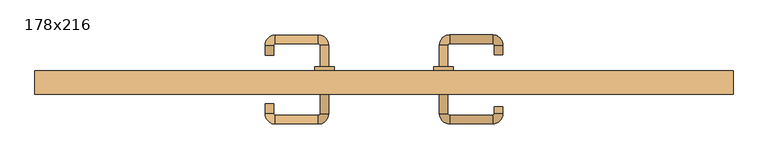
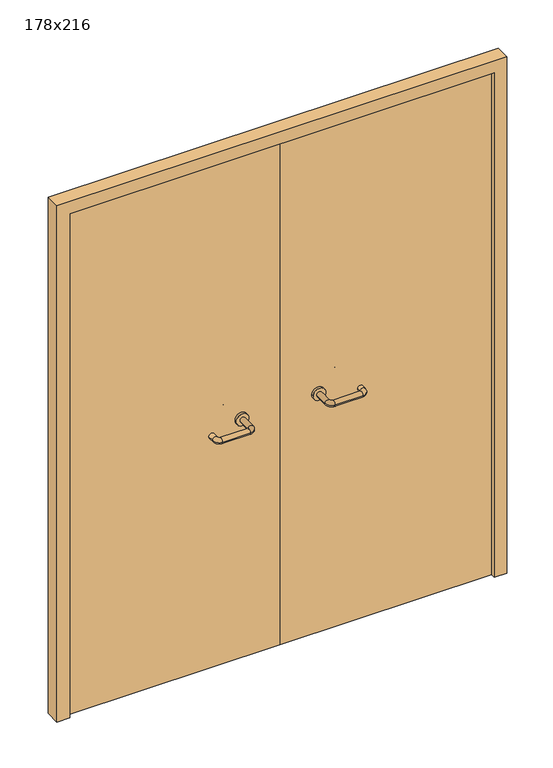
"""IFC4 building model written with IfcOpenShell, lengths in millimetres: door geometry, 178x216."""

from ifc_helpers import new_model, si_unit, point, frame, frame_2d, origin, place, context, project, spatial, polyline, circle_curve, ellipse_curve, trimmed, segment, composite_curve, outline, extrude, source, transform, mapped, element, save
from ifc_brep_helpers import plane_surface, cylinder_surface, revolved_surface, advanced_brep


def door_178x216_89c646e5(model_context):
    return source(origin(), model_context, "Body", "SolidModel", [
        extrude(outline(polyline([(2160.0, -890.0), (0.0, -890.0), (0.0, -840.0), (2110.0, -840.0), (2110.0, 840.0), (0.0, 840.0), (0.0, 890.0), (2160.0, 890.0), (2160.0, -890.0)])), frame((0.0, 0.0, 0.0), z_axis=(0.0, 1.0, 0.0), x_axis=(0.0, 0.0, 1.0)), (0.0, 0.0, 1.0), 60.0),
        advanced_brep(
        [(140.99898, 6.0, 1003.0), (162.99898, 6.0, 1003.0), (140.99898, -49.3525369, 1003.0), (162.99898, -49.3525369, 1003.0), (166.99898, -53.3525369, 1003.0), (166.99898, -75.3525369, 1003.0), (276.99898, -75.3525369, 1003.0), (276.99898, -53.3525369, 1003.0), (280.99898, -49.3525369, 1003.0), (302.99898, -49.3525369, 1003.0), (302.99898, -32.0, 1003.0), (280.99898, -32.0, 1003.0)],
        [
            (0, 1, circle_curve(frame((151.99898, 6.0, 1003.0), z_axis=(0.0, 1.0, 0.0), x_axis=(1.0, 0.0, 0.0)), 11.0)),
            (1, 0, circle_curve(frame((151.99898, 6.0, 1003.0), z_axis=(0.0, 1.0, 0.0), x_axis=(1.0, 0.0, 0.0)), 11.0)),
            (0, 2),
            (2, 3, circle_curve(frame((151.99898, -49.3525369, 1003.0), z_axis=(0.0, 1.0, 0.0), x_axis=(1.0, 0.0, 0.0)), 11.0)),
            (3, 1),
            (3, 2, circle_curve(frame((151.99898, -49.3525369, 1003.0), z_axis=(0.0, 1.0, 0.0), x_axis=(1.0, 0.0, 0.0)), 11.0)),
            (4, 3, circle_curve(frame((166.99898, -49.3525369, 1003.0), z_axis=(0.0, 0.0, -1.0), x_axis=(-1.0, 0.0, 0.0)), 4.0)),
            (2, 5, circle_curve(frame((166.99898, -49.3525369, 1003.0), z_axis=(0.0, 0.0, 1.0), x_axis=(-1.0, 0.0, 0.0)), 26.0)),
            (5, 4, circle_curve(frame((166.99898, -64.3525369, 1003.0), z_axis=(-1.0, 0.0, 0.0), x_axis=(0.0, 1.0, 0.0)), 11.0)),
            (4, 5, circle_curve(frame((166.99898, -64.3525369, 1003.0), z_axis=(-1.0, 0.0, 0.0), x_axis=(0.0, 1.0, 0.0)), 11.0)),
            (5, 6),
            (6, 7, circle_curve(frame((276.99898, -64.3525369, 1003.0), z_axis=(-1.0, 0.0, 0.0), x_axis=(0.0, 1.0, 0.0)), 11.0)),
            (7, 4),
            (7, 6, circle_curve(frame((276.99898, -64.3525369, 1003.0), z_axis=(-1.0, 0.0, 0.0), x_axis=(0.0, 1.0, 0.0)), 11.0)),
            (8, 7, circle_curve(frame((276.99898, -49.3525369, 1003.0), z_axis=(0.0, 0.0, -1.0), x_axis=(0.0, -1.0, 0.0)), 4.0)),
            (6, 9, circle_curve(frame((276.99898, -49.3525369, 1003.0), z_axis=(0.0, 0.0, 1.0), x_axis=(0.0, -1.0, 0.0)), 26.0)),
            (9, 8, circle_curve(frame((291.99898, -49.3525369, 1003.0), z_axis=(0.0, -1.0, 0.0), x_axis=(-1.0, 0.0, 0.0)), 11.0)),
            (8, 9, circle_curve(frame((291.99898, -49.3525369, 1003.0), z_axis=(0.0, -1.0, 0.0), x_axis=(-1.0, 0.0, 0.0)), 11.0)),
            (10, 11, circle_curve(frame((291.99898, -32.0, 1003.0), z_axis=(0.0, 1.0, 0.0), x_axis=(-1.0, 0.0, 0.0)), 11.0)),
            (11, 10, circle_curve(frame((291.99898, -32.0, 1003.0), z_axis=(0.0, 1.0, 0.0), x_axis=(-1.0, 0.0, 0.0)), 11.0)),
            (9, 10),
            (11, 8),
        ],
        [
            plane_surface(frame((140.99898, 6.0, 1003.0), z_axis=(0.0, 1.0, 0.0), x_axis=(0.0, 0.0, -1.0))),
            cylinder_surface(frame((151.99898, 6.0, 1003.0), z_axis=(0.0, 1.0, 0.0), x_axis=(1.0, 0.0, 0.0)), 11.0),
            revolved_surface(trimmed(ellipse_curve(frame((151.99898, -49.3525369, 1003.0), z_axis=(0.0, 1.0, 0.0), x_axis=(1.0, 0.0, 0.0)), 11.0, 11.0), [point((140.99898, -49.3525369, 1003.0))], [point((162.99898, -49.3525369, 1003.0))], True, "CARTESIAN"), (166.99898, -49.3525369, 1003.0), (0.0, 0.0, 1.0)),
            revolved_surface(trimmed(ellipse_curve(frame((151.99898, -49.3525369, 1003.0), z_axis=(0.0, 1.0, 0.0), x_axis=(1.0, 0.0, 0.0)), 11.0, 11.0), [point((162.99898, -49.3525369, 1003.0))], [point((140.99898, -49.3525369, 1003.0))], True, "CARTESIAN"), (166.99898, -49.3525369, 1003.0), (0.0, 0.0, 1.0)),
            cylinder_surface(frame((166.99898, -64.3525369, 1003.0), z_axis=(-1.0, 0.0, 0.0), x_axis=(0.0, 1.0, 0.0)), 11.0),
            revolved_surface(trimmed(ellipse_curve(frame((276.99898, -64.3525369, 1003.0), z_axis=(-1.0, 0.0, 0.0), x_axis=(0.0, 1.0, 0.0)), 11.0, 11.0), [point((276.99898, -75.3525369, 1003.0))], [point((276.99898, -53.3525369, 1003.0))], True, "CARTESIAN"), (276.99898, -49.3525369, 1003.0), (0.0, 0.0, 1.0)),
            revolved_surface(trimmed(ellipse_curve(frame((276.99898, -64.3525369, 1003.0), z_axis=(-1.0, 0.0, 0.0), x_axis=(0.0, 1.0, 0.0)), 11.0, 11.0), [point((276.99898, -53.3525369, 1003.0))], [point((276.99898, -75.3525369, 1003.0))], True, "CARTESIAN"), (276.99898, -49.3525369, 1003.0), (0.0, 0.0, 1.0)),
            plane_surface(frame((280.99898, -32.0, 1003.0), z_axis=(0.0, 1.0, 0.0), x_axis=(0.0, 0.0, 1.0))),
            cylinder_surface(frame((291.99898, -49.3525369, 1003.0), z_axis=(0.0, -1.0, 0.0), x_axis=(-1.0, 0.0, 0.0)), 11.0),
        ],
        [
            (0, [[1, 2]]),
            (1, [[-1, 3, 4, 5]]),
            (1, [[-2, -5, 6, -3]]),
            (2, [[7, -4, 8, 9]]),
            (3, [[-8, -6, -7, 10]]),
            (4, [[-9, 11, 12, 13]]),
            (4, [[-10, -13, 14, -11]]),
            (5, [[15, -12, 16, 17]]),
            (6, [[-16, -14, -15, 18]]),
            (7, [[19, 20]]),
            (8, [[-17, 21, -20, 22]]),
            (8, [[-18, -22, -19, -21]]),
        ],
    ),
        extrude(outline(composite_curve([segment(trimmed(circle_curve(frame_2d((1003.0, 151.99898)), 25.0), [point((1003.0, 126.99898))], [point((1003.0, 176.99898))], False, "CARTESIAN"), True, "CONTINUOUS"), segment(trimmed(circle_curve(frame_2d((1003.0, 151.99898)), 25.0), [point((1003.0, 176.99898))], [point((1003.0, 126.99898))], False, "CARTESIAN"), True, "CONTINUOUS")], self_intersect=False)), frame((0.0, 6.0, 0.0), z_axis=(0.0, 1.0, 0.0), x_axis=(0.0, 0.0, 1.0)), (0.0, 0.0, 1.0), 10.0),
        advanced_brep(
        [(162.99898, 70.0, 1003.0), (140.99898, 70.0, 1003.0), (162.99898, 125.0, 1003.0), (140.99898, 125.0, 1003.0), (166.99898, 151.0, 1003.0), (166.99898, 129.0, 1003.0), (276.99898, 129.0, 1003.0), (276.99898, 151.0, 1003.0), (302.99898, 125.0, 1003.0), (280.99898, 125.0, 1003.0), (280.99898, 100.0, 1003.0), (302.99898, 100.0, 1003.0)],
        [
            (0, 1, circle_curve(frame((151.99898, 70.0, 1003.0), z_axis=(0.0, -1.0, 0.0), x_axis=(-1.0, 0.0, 0.0)), 11.0)),
            (1, 0, circle_curve(frame((151.99898, 70.0, 1003.0), z_axis=(0.0, -1.0, 0.0), x_axis=(-1.0, 0.0, 0.0)), 11.0)),
            (0, 2),
            (2, 3, circle_curve(frame((151.99898, 125.0, 1003.0), z_axis=(0.0, -1.0, 0.0), x_axis=(-1.0, 0.0, 0.0)), 11.0)),
            (3, 1),
            (3, 2, circle_curve(frame((151.99898, 125.0, 1003.0), z_axis=(0.0, -1.0, 0.0), x_axis=(-1.0, 0.0, 0.0)), 11.0)),
            (4, 3, circle_curve(frame((166.99898, 125.0, 1003.0), z_axis=(0.0, 0.0, 1.0), x_axis=(-1.0, 0.0, 0.0)), 26.0)),
            (2, 5, circle_curve(frame((166.99898, 125.0, 1003.0), z_axis=(0.0, 0.0, -1.0), x_axis=(-1.0, 0.0, 0.0)), 4.0)),
            (5, 4, circle_curve(frame((166.99898, 140.0, 1003.0), z_axis=(-1.0, 0.0, 0.0), x_axis=(0.0, 1.0, 0.0)), 11.0)),
            (4, 5, circle_curve(frame((166.99898, 140.0, 1003.0), z_axis=(-1.0, 0.0, 0.0), x_axis=(0.0, 1.0, 0.0)), 11.0)),
            (5, 6),
            (6, 7, circle_curve(frame((276.99898, 140.0, 1003.0), z_axis=(-1.0, 0.0, 0.0), x_axis=(0.0, 1.0, 0.0)), 11.0)),
            (7, 4),
            (7, 6, circle_curve(frame((276.99898, 140.0, 1003.0), z_axis=(-1.0, 0.0, 0.0), x_axis=(0.0, 1.0, 0.0)), 11.0)),
            (8, 7, circle_curve(frame((276.99898, 125.0, 1003.0), z_axis=(0.0, 0.0, 1.0), x_axis=(0.0, 1.0, 0.0)), 26.0)),
            (6, 9, circle_curve(frame((276.99898, 125.0, 1003.0), z_axis=(0.0, 0.0, -1.0), x_axis=(0.0, 1.0, 0.0)), 4.0)),
            (9, 8, circle_curve(frame((291.99898, 125.0, 1003.0), z_axis=(0.0, 1.0, 0.0), x_axis=(1.0, 0.0, 0.0)), 11.0)),
            (8, 9, circle_curve(frame((291.99898, 125.0, 1003.0), z_axis=(0.0, 1.0, 0.0), x_axis=(1.0, 0.0, 0.0)), 11.0)),
            (10, 11, circle_curve(frame((291.99898, 100.0, 1003.0), z_axis=(0.0, -1.0, 0.0), x_axis=(1.0, 0.0, 0.0)), 11.0)),
            (11, 10, circle_curve(frame((291.99898, 100.0, 1003.0), z_axis=(0.0, -1.0, 0.0), x_axis=(1.0, 0.0, 0.0)), 11.0)),
            (9, 10),
            (11, 8),
        ],
        [
            plane_surface(frame((140.99898, 70.0, 1003.0), z_axis=(0.0, -1.0, 0.0), x_axis=(0.0, 0.0, 1.0))),
            cylinder_surface(frame((151.99898, 70.0, 1003.0), z_axis=(0.0, -1.0, 0.0), x_axis=(-1.0, 0.0, 0.0)), 11.0),
            revolved_surface(trimmed(ellipse_curve(frame((151.99898, 125.0, 1003.0), z_axis=(0.0, -1.0, 0.0), x_axis=(-1.0, 0.0, 0.0)), 11.0, 11.0), [point((162.99898, 125.0, 1003.0))], [point((140.99898, 125.0, 1003.0))], True, "CARTESIAN"), (166.99898, 125.0, 1003.0), (0.0, 0.0, -1.0)),
            revolved_surface(trimmed(ellipse_curve(frame((151.99898, 125.0, 1003.0), z_axis=(0.0, -1.0, 0.0), x_axis=(-1.0, 0.0, 0.0)), 11.0, 11.0), [point((140.99898, 125.0, 1003.0))], [point((162.99898, 125.0, 1003.0))], True, "CARTESIAN"), (166.99898, 125.0, 1003.0), (0.0, 0.0, -1.0)),
            cylinder_surface(frame((166.99898, 140.0, 1003.0), z_axis=(-1.0, 0.0, 0.0), x_axis=(0.0, 1.0, 0.0)), 11.0),
            revolved_surface(trimmed(ellipse_curve(frame((276.99898, 140.0, 1003.0), z_axis=(-1.0, 0.0, 0.0), x_axis=(0.0, 1.0, 0.0)), 11.0, 11.0), [point((276.99898, 129.0, 1003.0))], [point((276.99898, 151.0, 1003.0))], True, "CARTESIAN"), (276.99898, 125.0, 1003.0), (0.0, 0.0, -1.0)),
            revolved_surface(trimmed(ellipse_curve(frame((276.99898, 140.0, 1003.0), z_axis=(-1.0, 0.0, 0.0), x_axis=(0.0, 1.0, 0.0)), 11.0, 11.0), [point((276.99898, 151.0, 1003.0))], [point((276.99898, 129.0, 1003.0))], True, "CARTESIAN"), (276.99898, 125.0, 1003.0), (0.0, 0.0, -1.0)),
            plane_surface(frame((280.99898, 100.0, 1003.0), z_axis=(0.0, -1.0, 0.0), x_axis=(0.0, 0.0, -1.0))),
            cylinder_surface(frame((291.99898, 125.0, 1003.0), z_axis=(0.0, 1.0, 0.0), x_axis=(1.0, 0.0, 0.0)), 11.0),
        ],
        [
            (0, [[1, 2]]),
            (1, [[-1, 3, 4, 5]]),
            (1, [[-2, -5, 6, -3]]),
            (2, [[7, -4, 8, 9]]),
            (3, [[-8, -6, -7, 10]]),
            (4, [[-9, 11, 12, 13]]),
            (4, [[-10, -13, 14, -11]]),
            (5, [[15, -12, 16, 17]]),
            (6, [[-16, -14, -15, 18]]),
            (7, [[19, 20]]),
            (8, [[-17, 21, -20, 22]]),
            (8, [[-18, -22, -19, -21]]),
        ],
    ),
        extrude(outline(composite_curve([segment(trimmed(circle_curve(frame_2d((1003.0, 151.99898)), 25.0), [point((1003.0, 176.99898))], [point((1003.0, 126.99898))], False, "CARTESIAN"), True, "CONTINUOUS"), segment(trimmed(circle_curve(frame_2d((1003.0, 151.99898)), 25.0), [point((1003.0, 126.99898))], [point((1003.0, 176.99898))], False, "CARTESIAN"), True, "CONTINUOUS")], self_intersect=False)), frame((0.0, 60.0, 0.0), z_axis=(0.0, 1.0, 0.0), x_axis=(0.0, 0.0, 1.0)), (0.0, 0.0, 1.0), 10.0),
        advanced_brep(
        [(-162.99898, 5.6886121, 1003.0), (-140.99898, 5.6886121, 1003.0), (-162.99898, -49.7220447, 1003.0), (-140.99898, -49.7220447, 1003.0), (-166.99898, -75.7220447, 1003.0), (-166.99898, -53.7220447, 1003.0), (-276.99898, -53.7220447, 1003.0), (-276.99898, -75.7220447, 1003.0), (-302.99898, -49.7220447, 1003.0), (-280.99898, -49.7220447, 1003.0), (-280.99898, -24.7220447, 1003.0), (-302.99898, -24.7220447, 1003.0)],
        [
            (0, 1, circle_curve(frame((-151.99898, 5.6886121, 1003.0), z_axis=(0.0, 1.0, 0.0), x_axis=(1.0, 0.0, 0.0)), 11.0)),
            (1, 0, circle_curve(frame((-151.99898, 5.6886121, 1003.0), z_axis=(0.0, 1.0, 0.0), x_axis=(1.0, 0.0, 0.0)), 11.0)),
            (0, 2),
            (2, 3, circle_curve(frame((-151.99898, -49.7220447, 1003.0), z_axis=(0.0, 1.0, 0.0), x_axis=(1.0, 0.0, 0.0)), 11.0)),
            (3, 1),
            (3, 2, circle_curve(frame((-151.99898, -49.7220447, 1003.0), z_axis=(0.0, 1.0, 0.0), x_axis=(1.0, 0.0, 0.0)), 11.0)),
            (4, 3, circle_curve(frame((-166.99898, -49.7220447, 1003.0), z_axis=(0.0, 0.0, 1.0), x_axis=(1.0, 0.0, 0.0)), 26.0)),
            (2, 5, circle_curve(frame((-166.99898, -49.7220447, 1003.0), z_axis=(0.0, 0.0, -1.0), x_axis=(1.0, 0.0, 0.0)), 4.0)),
            (5, 4, circle_curve(frame((-166.99898, -64.7220447, 1003.0), z_axis=(1.0, 0.0, 0.0), x_axis=(0.0, -1.0, 0.0)), 11.0)),
            (4, 5, circle_curve(frame((-166.99898, -64.7220447, 1003.0), z_axis=(1.0, 0.0, 0.0), x_axis=(0.0, -1.0, 0.0)), 11.0)),
            (5, 6),
            (6, 7, circle_curve(frame((-276.99898, -64.7220447, 1003.0), z_axis=(1.0, 0.0, 0.0), x_axis=(0.0, -1.0, 0.0)), 11.0)),
            (7, 4),
            (7, 6, circle_curve(frame((-276.99898, -64.7220447, 1003.0), z_axis=(1.0, 0.0, 0.0), x_axis=(0.0, -1.0, 0.0)), 11.0)),
            (8, 7, circle_curve(frame((-276.99898, -49.7220447, 1003.0), z_axis=(0.0, 0.0, 1.0), x_axis=(0.0, -1.0, 0.0)), 26.0)),
            (6, 9, circle_curve(frame((-276.99898, -49.7220447, 1003.0), z_axis=(0.0, 0.0, -1.0), x_axis=(0.0, -1.0, 0.0)), 4.0)),
            (9, 8, circle_curve(frame((-291.99898, -49.7220447, 1003.0), z_axis=(0.0, -1.0, 0.0), x_axis=(-1.0, 0.0, 0.0)), 11.0)),
            (8, 9, circle_curve(frame((-291.99898, -49.7220447, 1003.0), z_axis=(0.0, -1.0, 0.0), x_axis=(-1.0, 0.0, 0.0)), 11.0)),
            (10, 11, circle_curve(frame((-291.99898, -24.7220447, 1003.0), z_axis=(0.0, 1.0, 0.0), x_axis=(-1.0, 0.0, 0.0)), 11.0)),
            (11, 10, circle_curve(frame((-291.99898, -24.7220447, 1003.0), z_axis=(0.0, 1.0, 0.0), x_axis=(-1.0, 0.0, 0.0)), 11.0)),
            (9, 10),
            (11, 8),
        ],
        [
            plane_surface(frame((-162.99898, 5.6886121, 1003.0), z_axis=(0.0, 1.0, 0.0), x_axis=(0.0, 0.0, -1.0))),
            cylinder_surface(frame((-151.99898, 5.6886121, 1003.0), z_axis=(0.0, 1.0, 0.0), x_axis=(1.0, 0.0, 0.0)), 11.0),
            revolved_surface(trimmed(ellipse_curve(frame((-151.99898, -49.7220447, 1003.0), z_axis=(0.0, 1.0, 0.0), x_axis=(1.0, 0.0, 0.0)), 11.0, 11.0), [point((-162.99898, -49.7220447, 1003.0))], [point((-140.99898, -49.7220447, 1003.0))], True, "CARTESIAN"), (-166.99898, -49.7220447, 1003.0), (0.0, 0.0, -1.0)),
            revolved_surface(trimmed(ellipse_curve(frame((-151.99898, -49.7220447, 1003.0), z_axis=(0.0, 1.0, 0.0), x_axis=(1.0, 0.0, 0.0)), 11.0, 11.0), [point((-140.99898, -49.7220447, 1003.0))], [point((-162.99898, -49.7220447, 1003.0))], True, "CARTESIAN"), (-166.99898, -49.7220447, 1003.0), (0.0, 0.0, -1.0)),
            cylinder_surface(frame((-166.99898, -64.7220447, 1003.0), z_axis=(1.0, 0.0, 0.0), x_axis=(0.0, -1.0, 0.0)), 11.0),
            revolved_surface(trimmed(ellipse_curve(frame((-276.99898, -64.7220447, 1003.0), z_axis=(1.0, 0.0, 0.0), x_axis=(0.0, -1.0, 0.0)), 11.0, 11.0), [point((-276.99898, -53.7220447, 1003.0))], [point((-276.99898, -75.7220447, 1003.0))], True, "CARTESIAN"), (-276.99898, -49.7220447, 1003.0), (0.0, 0.0, -1.0)),
            revolved_surface(trimmed(ellipse_curve(frame((-276.99898, -64.7220447, 1003.0), z_axis=(1.0, 0.0, 0.0), x_axis=(0.0, -1.0, 0.0)), 11.0, 11.0), [point((-276.99898, -75.7220447, 1003.0))], [point((-276.99898, -53.7220447, 1003.0))], True, "CARTESIAN"), (-276.99898, -49.7220447, 1003.0), (0.0, 0.0, -1.0)),
            plane_surface(frame((-302.99898, -24.7220447, 1003.0), z_axis=(0.0, 1.0, 0.0), x_axis=(0.0, 0.0, 1.0))),
            cylinder_surface(frame((-291.99898, -49.7220447, 1003.0), z_axis=(0.0, -1.0, 0.0), x_axis=(-1.0, 0.0, 0.0)), 11.0),
        ],
        [
            (0, [[1, 2]]),
            (1, [[-1, 3, 4, 5]]),
            (1, [[-2, -5, 6, -3]]),
            (2, [[7, -4, 8, 9]]),
            (3, [[-8, -6, -7, 10]]),
            (4, [[-9, 11, 12, 13]]),
            (4, [[-10, -13, 14, -11]]),
            (5, [[15, -12, 16, 17]]),
            (6, [[-16, -14, -15, 18]]),
            (7, [[19, 20]]),
            (8, [[-17, 21, -20, 22]]),
            (8, [[-18, -22, -19, -21]]),
        ],
    ),
        extrude(outline(composite_curve([segment(trimmed(circle_curve(frame_2d((1003.0, -151.99898)), 25.0), [point((1003.0, -176.99898))], [point((1003.0, -126.99898))], False, "CARTESIAN"), True, "CONTINUOUS"), segment(trimmed(circle_curve(frame_2d((1003.0, -151.99898)), 25.0), [point((1003.0, -126.99898))], [point((1003.0, -176.99898))], False, "CARTESIAN"), True, "CONTINUOUS")], self_intersect=False)), frame((0.0, 5.6886121, 0.0), z_axis=(0.0, 1.0, 0.0), x_axis=(0.0, 0.0, 1.0)), (0.0, 0.0, 1.0), 10.3113879),
        advanced_brep(
        [(-140.99898, 69.5143417, 1003.0), (-162.99898, 69.5143417, 1003.0), (-140.99898, 124.6104656, 1003.0), (-162.99898, 124.6104656, 1003.0), (-166.99898, 128.6104656, 1003.0), (-166.99898, 150.6104656, 1003.0), (-276.99898, 150.6104656, 1003.0), (-276.99898, 128.6104656, 1003.0), (-280.99898, 124.6104656, 1003.0), (-302.99898, 124.6104656, 1003.0), (-302.99898, 99.6104656, 1003.0), (-280.99898, 99.6104656, 1003.0)],
        [
            (0, 1, circle_curve(frame((-151.99898, 69.5143417, 1003.0), z_axis=(0.0, -1.0, 0.0), x_axis=(-1.0, 0.0, 0.0)), 11.0)),
            (1, 0, circle_curve(frame((-151.99898, 69.5143417, 1003.0), z_axis=(0.0, -1.0, 0.0), x_axis=(-1.0, 0.0, 0.0)), 11.0)),
            (0, 2),
            (2, 3, circle_curve(frame((-151.99898, 124.6104656, 1003.0), z_axis=(0.0, -1.0, 0.0), x_axis=(-1.0, 0.0, 0.0)), 11.0)),
            (3, 1),
            (3, 2, circle_curve(frame((-151.99898, 124.6104656, 1003.0), z_axis=(0.0, -1.0, 0.0), x_axis=(-1.0, 0.0, 0.0)), 11.0)),
            (4, 3, circle_curve(frame((-166.99898, 124.6104656, 1003.0), z_axis=(0.0, 0.0, -1.0), x_axis=(1.0, 0.0, 0.0)), 4.0)),
            (2, 5, circle_curve(frame((-166.99898, 124.6104656, 1003.0), z_axis=(0.0, 0.0, 1.0), x_axis=(1.0, 0.0, 0.0)), 26.0)),
            (5, 4, circle_curve(frame((-166.99898, 139.6104656, 1003.0), z_axis=(1.0, 0.0, 0.0), x_axis=(0.0, -1.0, 0.0)), 11.0)),
            (4, 5, circle_curve(frame((-166.99898, 139.6104656, 1003.0), z_axis=(1.0, 0.0, 0.0), x_axis=(0.0, -1.0, 0.0)), 11.0)),
            (5, 6),
            (6, 7, circle_curve(frame((-276.99898, 139.6104656, 1003.0), z_axis=(1.0, 0.0, 0.0), x_axis=(0.0, -1.0, 0.0)), 11.0)),
            (7, 4),
            (7, 6, circle_curve(frame((-276.99898, 139.6104656, 1003.0), z_axis=(1.0, 0.0, 0.0), x_axis=(0.0, -1.0, 0.0)), 11.0)),
            (8, 7, circle_curve(frame((-276.99898, 124.6104656, 1003.0), z_axis=(0.0, 0.0, -1.0), x_axis=(0.0, 1.0, 0.0)), 4.0)),
            (6, 9, circle_curve(frame((-276.99898, 124.6104656, 1003.0), z_axis=(0.0, 0.0, 1.0), x_axis=(0.0, 1.0, 0.0)), 26.0)),
            (9, 8, circle_curve(frame((-291.99898, 124.6104656, 1003.0), z_axis=(0.0, 1.0, 0.0), x_axis=(1.0, 0.0, 0.0)), 11.0)),
            (8, 9, circle_curve(frame((-291.99898, 124.6104656, 1003.0), z_axis=(0.0, 1.0, 0.0), x_axis=(1.0, 0.0, 0.0)), 11.0)),
            (10, 11, circle_curve(frame((-291.99898, 99.6104656, 1003.0), z_axis=(0.0, -1.0, 0.0), x_axis=(1.0, 0.0, 0.0)), 11.0)),
            (11, 10, circle_curve(frame((-291.99898, 99.6104656, 1003.0), z_axis=(0.0, -1.0, 0.0), x_axis=(1.0, 0.0, 0.0)), 11.0)),
            (9, 10),
            (11, 8),
        ],
        [
            plane_surface(frame((-162.99898, 69.5143417, 1003.0), z_axis=(0.0, -1.0, 0.0), x_axis=(0.0, 0.0, 1.0))),
            cylinder_surface(frame((-151.99898, 69.5143417, 1003.0), z_axis=(0.0, -1.0, 0.0), x_axis=(-1.0, 0.0, 0.0)), 11.0),
            revolved_surface(trimmed(ellipse_curve(frame((-151.99898, 124.6104656, 1003.0), z_axis=(0.0, -1.0, 0.0), x_axis=(-1.0, 0.0, 0.0)), 11.0, 11.0), [point((-140.99898, 124.6104656, 1003.0))], [point((-162.99898, 124.6104656, 1003.0))], True, "CARTESIAN"), (-166.99898, 124.6104656, 1003.0), (0.0, 0.0, 1.0)),
            revolved_surface(trimmed(ellipse_curve(frame((-151.99898, 124.6104656, 1003.0), z_axis=(0.0, -1.0, 0.0), x_axis=(-1.0, 0.0, 0.0)), 11.0, 11.0), [point((-162.99898, 124.6104656, 1003.0))], [point((-140.99898, 124.6104656, 1003.0))], True, "CARTESIAN"), (-166.99898, 124.6104656, 1003.0), (0.0, 0.0, 1.0)),
            cylinder_surface(frame((-166.99898, 139.6104656, 1003.0), z_axis=(1.0, 0.0, 0.0), x_axis=(0.0, -1.0, 0.0)), 11.0),
            revolved_surface(trimmed(ellipse_curve(frame((-276.99898, 139.6104656, 1003.0), z_axis=(1.0, 0.0, 0.0), x_axis=(0.0, -1.0, 0.0)), 11.0, 11.0), [point((-276.99898, 150.6104656, 1003.0))], [point((-276.99898, 128.6104656, 1003.0))], True, "CARTESIAN"), (-276.99898, 124.6104656, 1003.0), (0.0, 0.0, 1.0)),
            revolved_surface(trimmed(ellipse_curve(frame((-276.99898, 139.6104656, 1003.0), z_axis=(1.0, 0.0, 0.0), x_axis=(0.0, -1.0, 0.0)), 11.0, 11.0), [point((-276.99898, 128.6104656, 1003.0))], [point((-276.99898, 150.6104656, 1003.0))], True, "CARTESIAN"), (-276.99898, 124.6104656, 1003.0), (0.0, 0.0, 1.0)),
            plane_surface(frame((-302.99898, 99.6104656, 1003.0), z_axis=(0.0, -1.0, 0.0), x_axis=(0.0, 0.0, -1.0))),
            cylinder_surface(frame((-291.99898, 124.6104656, 1003.0), z_axis=(0.0, 1.0, 0.0), x_axis=(1.0, 0.0, 0.0)), 11.0),
        ],
        [
            (0, [[1, 2]]),
            (1, [[-1, 3, 4, 5]]),
            (1, [[-2, -5, 6, -3]]),
            (2, [[7, -4, 8, 9]]),
            (3, [[-8, -6, -7, 10]]),
            (4, [[-9, 11, 12, 13]]),
            (4, [[-10, -13, 14, -11]]),
            (5, [[15, -12, 16, 17]]),
            (6, [[-16, -14, -15, 18]]),
            (7, [[19, 20]]),
            (8, [[-17, 21, -20, 22]]),
            (8, [[-18, -22, -19, -21]]),
        ],
    ),
        extrude(outline(composite_curve([segment(trimmed(circle_curve(frame_2d((1003.0, -151.99898)), 25.0), [point((1003.0, -126.99898))], [point((1003.0, -176.99898))], False, "CARTESIAN"), True, "CONTINUOUS"), segment(trimmed(circle_curve(frame_2d((1003.0, -151.99898)), 25.0), [point((1003.0, -176.99898))], [point((1003.0, -126.99898))], False, "CARTESIAN"), True, "CONTINUOUS")], self_intersect=False)), frame((0.0, 60.0, 0.0), z_axis=(0.0, 1.0, 0.0), x_axis=(0.0, 0.0, 1.0)), (0.0, 0.0, 1.0), 9.5143417),
        extrude(outline(polyline([(1.0739506, 16.0), (-837.0, 16.0), (-837.0, 60.0), (1.0739506, 60.0), (1.0739506, 16.0)])), frame((0.0, 0.0, 1.753223), z_axis=(0.0, 0.0, 1.0), x_axis=(1.0, 0.0, 0.0)), (0.0, 0.0, 1.0), 2108.246777),
        extrude(outline(polyline([(837.0, 16.0), (1.0739506, 16.0), (1.0739506, 60.0), (837.0, 60.0), (837.0, 16.0)])), frame((0.0, 0.0, 1.753223), z_axis=(0.0, 0.0, 1.0), x_axis=(1.0, 0.0, 0.0)), (0.0, 0.0, 1.0), 2108.246777),
    ])


if __name__ == "__main__":
    model = new_model("IFC4")
    model_context = context("Model", 3, world=origin())
    ifc_project = project(units=[si_unit("LENGTHUNIT", "METRE", prefix="MILLI")], contexts=[model_context])
    site = spatial("IfcSite", under=ifc_project)
    building = spatial("IfcBuilding", under=site)
    placement = place(None, origin())
    door_178x216_shape = door_178x216_89c646e5(model_context)
    element("IfcDoor", 1, ObjectType="178x216", at=placement, inside=building, context=model_context, shape_type="MappedRepresentation", body=[
        mapped(door_178x216_shape, transform((0.0, 0.0, 0.0), x_axis=(1.0, 0.0, 0.0), y_axis=(0.0, 1.0, 0.0), z_axis=(0.0, 0.0, 1.0))),
    ])
    save(model, "model.ifc")
